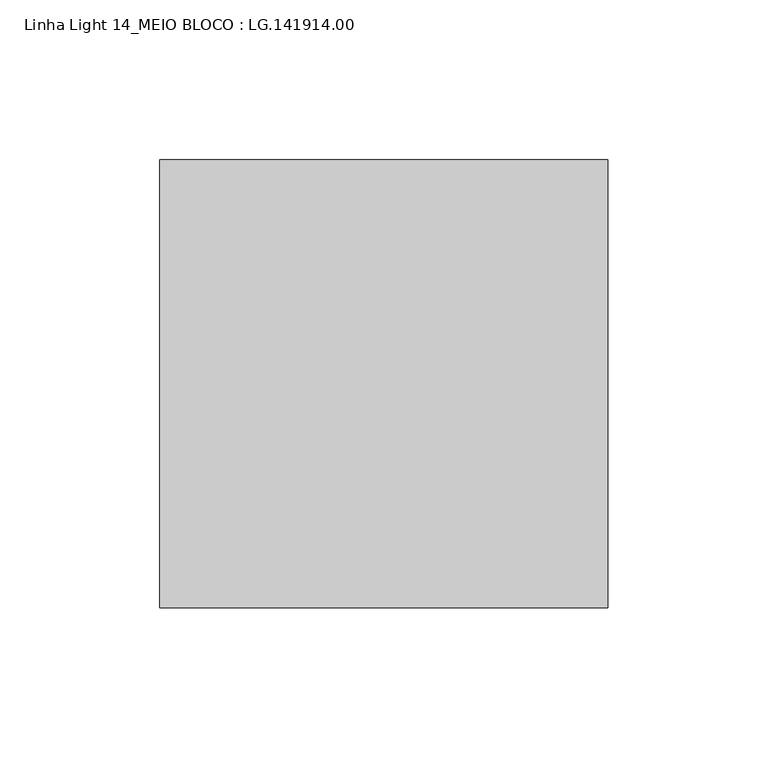
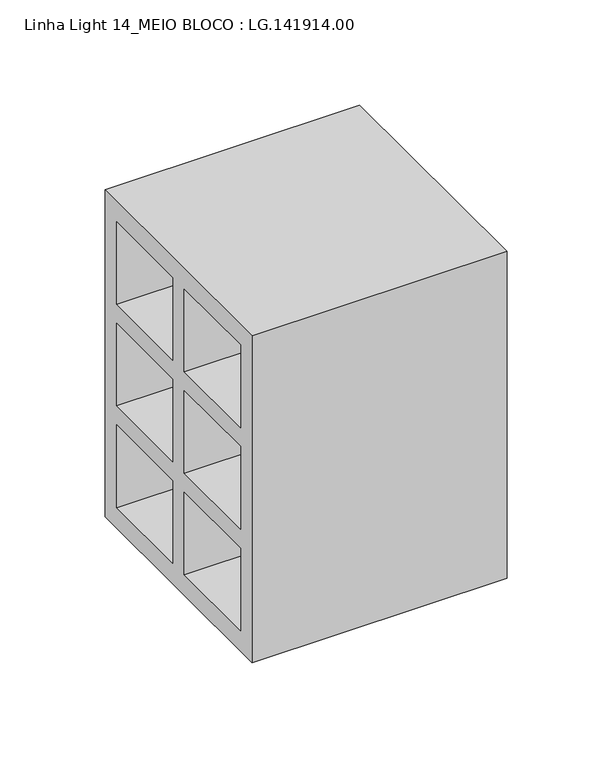
"""IFC4 building model written with IfcOpenShell, lengths in millimetres: proxy geometry, Linha Light 14_MEIO BLOCO : LG.141914.00."""

from ifc_helpers import new_model, si_unit, frame, origin, place, context, project, spatial, polyline, outline, extrude, source, transform, mapped, element, save


def linha_light_14_meio_bloco_lg_141914_00_4bdfe5d5(model_context):
    return source(origin(), model_context, "Body", "SweptSolid", [
        extrude(outline(polyline([(-70.0, 0.0), (-70.0, 190.0), (70.0, 190.0), (70.0, 0.0), (-70.0, 0.0)]), holes=[polyline([(5.5, 178.0), (5.5, 130.0), (59.0, 130.0), (59.0, 178.0), (5.5, 178.0)]), polyline([(-59.0, 178.0), (-59.0, 130.0), (-5.5, 130.0), (-5.5, 178.0), (-59.0, 178.0)]), polyline([(-5.5, 119.0), (-59.0, 119.0), (-59.0, 71.0), (-5.5, 71.0), (-5.5, 119.0)]), polyline([(59.0, 71.0), (59.0, 119.0), (5.5, 119.0), (5.5, 71.0), (59.0, 71.0)]), polyline([(59.0, 60.0), (5.5, 60.0), (5.5, 12.0), (59.0, 12.0), (59.0, 60.0)]), polyline([(-5.5, 60.0), (-59.0, 60.0), (-59.0, 12.0), (-5.5, 12.0), (-5.5, 60.0)])]), frame((5.0, 0.0, 0.0), z_axis=(1.0, 0.0, 0.0), x_axis=(0.0, 1.0, 0.0)), (0.0, 0.0, 1.0), 140.0),
    ])


if __name__ == "__main__":
    model = new_model("IFC4")
    model_context = context("Model", 3, world=origin())
    ifc_project = project(units=[si_unit("LENGTHUNIT", "METRE", prefix="MILLI")], contexts=[model_context])
    site = spatial("IfcSite", under=ifc_project)
    building = spatial("IfcBuilding", under=site)
    placement = place(None, origin())
    linha_light_14_meio_bloco_lg_141914_00_shape = linha_light_14_meio_bloco_lg_141914_00_4bdfe5d5(model_context)
    element("IfcBuildingElementProxy", 1, Name="Linha Light 14_MEIO BLOCO : LG.141914.00", ObjectType="Linha Light 14_MEIO BLOCO : LG.141914.00", at=placement, inside=building, context=model_context, shape_type="MappedRepresentation", body=[
        mapped(linha_light_14_meio_bloco_lg_141914_00_shape, transform((0.0, 0.0, 0.0), x_axis=(1.0, 0.0, 0.0), y_axis=(0.0, 1.0, 0.0), z_axis=(0.0, 0.0, 1.0))),
    ])
    save(model, "model.ifc")
